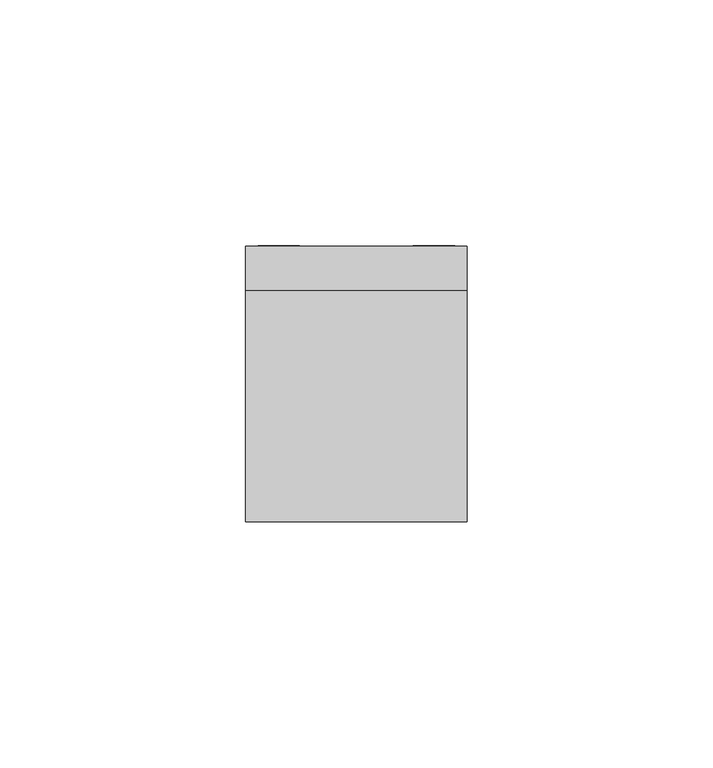
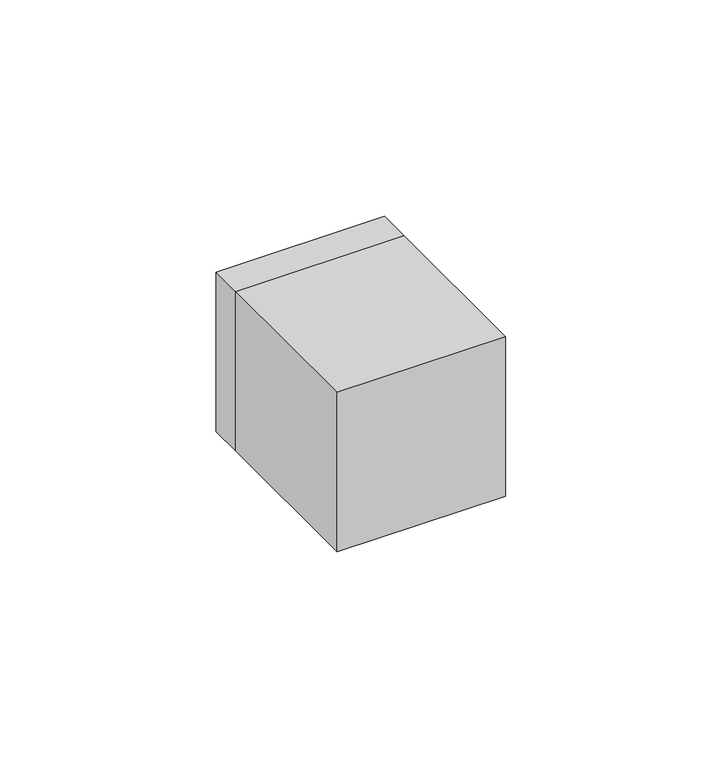
"""IFC4 building model written with IfcOpenShell, lengths in millimetres: proxy geometry."""

from ifc_helpers import new_model, si_unit, point, frame, origin, origin_2d, place, context, project, spatial, polyline, circle_curve, trimmed, segment, composite_curve, outline, extrude, faceted_brep, source, transform, mapped, element, save
from ifc_brep_helpers import plane_surface, revolved_surface, advanced_brep


def electrical_fixtures_44512ef4(model_context):
    return source(origin(), model_context, "Body", "SolidModel", [
        extrude(outline(polyline([(22.5, -47.0), (-22.5, -47.0), (-22.5, 0.0), (22.5, 0.0), (22.5, -47.0)])), frame((0.0, 0.0, -22.5), z_axis=(0.0, 0.0, 1.0), x_axis=(1.0, 0.0, 0.0)), (0.0, 0.0, 1.0), 45.0),
        extrude(outline(polyline([(9.1, 0.0), (9.1, -1.5), (0.0, -1.5), (0.0, 0.0), (9.1, 0.0)])), frame((-20.018193, 0.0, 12.5935718), z_axis=(0.7071067811865476, 0.0, 0.7071067811865476), x_axis=(0.0, 1.0, 0.0)), (0.0, 0.0, 1.0), 10.5),
        extrude(outline(polyline([(9.1, 0.0), (9.1, -10.5), (0.0, -10.5), (0.0, 0.0), (9.1, 0.0)])), frame((11.5329116, 0.0, 18.9575328), z_axis=(0.7071067811865468, 0.0, 0.7071067811865482), x_axis=(0.0, 1.0, 0.0)), (0.0, 0.0, 1.0), 1.5),
        extrude(outline(composite_curve([segment(polyline([(-16.0, -1.5), (-17.9373911, -1.5)]), True, "CONTINUOUS"), segment(trimmed(circle_curve(origin_2d(), 18.0), [point((-17.9373911, -1.5))], [point((-17.9373911, 1.5))], False, "CARTESIAN"), True, "CONTINUOUS"), segment(polyline([(-17.9373911, 1.5), (-16.0, 1.5), (-16.0, -1.5)]), True, "CONTINUOUS")], self_intersect=False)), frame((0.0, 1.0, 0.0), z_axis=(0.0, 1.0, 0.0), x_axis=(0.0, 0.0, 1.0)), (0.0, 0.0, 1.0), 7.0),
        extrude(outline(composite_curve([segment(polyline([(16.0, -1.5), (16.0, 1.5), (17.9373911, 1.5)]), True, "CONTINUOUS"), segment(trimmed(circle_curve(origin_2d(), 18.0), [point((17.9373911, 1.5))], [point((17.9373911, -1.5))], False, "CARTESIAN"), True, "CONTINUOUS"), segment(polyline([(17.9373911, -1.5), (16.0, -1.5)]), True, "CONTINUOUS")], self_intersect=False)), frame((0.0, 1.0, 0.0), z_axis=(0.0, 1.0, 0.0), x_axis=(0.0, 0.0, 1.0)), (0.0, 0.0, 1.0), 7.0),
        extrude(outline(composite_curve([segment(polyline([(8.2462113, 16.0), (2.0, 16.0), (2.0, 17.8885438)]), True, "CONTINUOUS"), segment(trimmed(circle_curve(origin_2d(), 18.0), [point((2.0, 17.8885438))], [point((8.2462113, 16.0))], False, "CARTESIAN"), True, "CONTINUOUS")], self_intersect=False)), frame((0.0, 1.0, 0.0), z_axis=(0.0, 1.0, 0.0), x_axis=(0.0, 0.0, 1.0)), (0.0, 0.0, 1.0), 7.0),
        extrude(outline(composite_curve([segment(trimmed(circle_curve(origin_2d(), 18.0), [point((-8.2462113, 16.0))], [point((-2.0, 17.8885438))], False, "CARTESIAN"), True, "CONTINUOUS"), segment(polyline([(-2.0, 17.8885438), (-2.0, 16.0), (-8.2462113, 16.0)]), True, "CONTINUOUS")], self_intersect=False)), frame((0.0, 1.0, 0.0), z_axis=(0.0, 1.0, 0.0), x_axis=(0.0, 0.0, 1.0)), (0.0, 0.0, 1.0), 7.0),
        extrude(outline(composite_curve([segment(polyline([(-8.2462113, -16.0), (-2.0, -16.0), (-2.0, -17.8885438)]), True, "CONTINUOUS"), segment(trimmed(circle_curve(origin_2d(), 18.0), [point((-2.0, -17.8885438))], [point((-8.2462113, -16.0))], False, "CARTESIAN"), True, "CONTINUOUS")], self_intersect=False)), frame((0.0, 1.0, 0.0), z_axis=(0.0, 1.0, 0.0), x_axis=(0.0, 0.0, 1.0)), (0.0, 0.0, 1.0), 7.0),
        extrude(outline(composite_curve([segment(trimmed(circle_curve(origin_2d(), 18.0), [point((8.2462113, -16.0))], [point((2.0, -17.8885438))], False, "CARTESIAN"), True, "CONTINUOUS"), segment(polyline([(2.0, -17.8885438), (2.0, -16.0), (8.2462113, -16.0)]), True, "CONTINUOUS")], self_intersect=False)), frame((0.0, 1.0, 0.0), z_axis=(0.0, 1.0, 0.0), x_axis=(0.0, 0.0, 1.0)), (0.0, 0.0, 1.0), 7.0),
        advanced_brep(
        [(22.5, 9.0, 22.5), (22.5, 9.0, -22.5), (-22.5, 9.0, -22.5), (-22.5, 9.0, 22.5), (-18.0, 9.0, 0.0), (18.0, 9.0, 0.0), (12.5935718, 9.0, 21.4324065), (8.9731851, 9.0, 17.8120198), (17.8120198, 9.0, 8.9731851), (21.4324065, 9.0, 12.5935718), (-21.4324065, 9.0, 12.5935718), (-17.8120198, 9.0, 8.9731851), (-8.9731851, 9.0, 17.8120198), (-12.5935718, 9.0, 21.4324065), (22.5, 0.0, 22.5), (-22.5, 0.0, 22.5), (-22.5, 0.0, -22.5), (22.5, 0.0, -22.5), (-7.0, 0.0, 0.0), (-12.0, 0.0, 0.0), (12.0, 0.0, 0.0), (7.0, 0.0, 0.0), (8.9731851, 0.0, 17.8120198), (12.5935718, 0.0, 21.4324065), (21.4324065, 0.0, 12.5935718), (17.8120198, 0.0, 8.9731851), (-17.8120198, 0.0, 8.9731851), (-21.4324065, 0.0, 12.5935718), (-12.5935718, 0.0, 21.4324065), (-8.9731851, 0.0, 17.8120198), (-7.0, 1.0, 0.0), (-12.0, 1.0, 0.0), (12.0, 1.0, 0.0), (7.0, 1.0, 0.0), (-18.0, 1.0, 0.0), (18.0, 1.0, 0.0)],
        [
            (0, 1),
            (1, 2),
            (2, 3),
            (3, 0),
            (4, 5, circle_curve(frame((0.0, 9.0, 0.0), z_axis=(0.0, -1.0, 0.0), x_axis=(1.0, 0.0, 0.0)), 18.0)),
            (5, 4, circle_curve(frame((0.0, 9.0, 0.0), z_axis=(0.0, -1.0, 0.0), x_axis=(1.0, 0.0, 0.0)), 18.0)),
            (6, 7),
            (7, 8),
            (8, 9),
            (9, 6),
            (10, 11),
            (11, 12),
            (12, 13),
            (13, 10),
            (14, 15),
            (15, 16),
            (16, 17),
            (17, 14),
            (18, 19, circle_curve(frame((-9.5, 0.0, 0.0), z_axis=(0.0, 1.0, 0.0), x_axis=(1.0, 0.0, 0.0)), 2.5)),
            (19, 18, circle_curve(frame((-9.5, 0.0, 0.0), z_axis=(0.0, 1.0, 0.0), x_axis=(1.0, 0.0, 0.0)), 2.5)),
            (20, 21, circle_curve(frame((9.5, 0.0, 0.0), z_axis=(0.0, 1.0, 0.0), x_axis=(1.0, 0.0, 0.0)), 2.5)),
            (21, 20, circle_curve(frame((9.5, 0.0, 0.0), z_axis=(0.0, 1.0, 0.0), x_axis=(1.0, 0.0, 0.0)), 2.5)),
            (22, 23),
            (23, 24),
            (24, 25),
            (25, 22),
            (26, 27),
            (27, 28),
            (28, 29),
            (29, 26),
            (3, 15),
            (14, 0),
            (2, 16),
            (1, 17),
            (18, 30),
            (30, 31, circle_curve(frame((-9.5, 1.0, 0.0), z_axis=(0.0, 1.0, 0.0), x_axis=(1.0, 0.0, 0.0)), 2.5)),
            (31, 19),
            (31, 30, circle_curve(frame((-9.5, 1.0, 0.0), z_axis=(0.0, 1.0, 0.0), x_axis=(1.0, 0.0, 0.0)), 2.5)),
            (20, 32),
            (32, 33, circle_curve(frame((9.5, 1.0, 0.0), z_axis=(0.0, 1.0, 0.0), x_axis=(1.0, 0.0, 0.0)), 2.5)),
            (33, 21),
            (33, 32, circle_curve(frame((9.5, 1.0, 0.0), z_axis=(0.0, 1.0, 0.0), x_axis=(1.0, 0.0, 0.0)), 2.5)),
            (34, 35, circle_curve(frame((0.0, 1.0, 0.0), z_axis=(0.0, 1.0, 0.0), x_axis=(1.0, 0.0, 0.0)), 18.0)),
            (35, 34, circle_curve(frame((0.0, 1.0, 0.0), z_axis=(0.0, 1.0, 0.0), x_axis=(1.0, 0.0, 0.0)), 18.0)),
            (35, 5),
            (4, 34),
            (22, 7),
            (6, 23),
            (25, 8),
            (24, 9),
            (26, 11),
            (10, 27),
            (29, 12),
            (28, 13),
        ],
        [
            plane_surface(frame((-39.0, 9.0, 22.5), z_axis=(0.0, 1.0, 0.0), x_axis=(1.0, 0.0, 0.0))),
            plane_surface(frame((-39.0, 0.0, 22.5), z_axis=(0.0, -1.0, 0.0), x_axis=(-1.0, 0.0, 0.0))),
            plane_surface(frame((22.5, 0.0, 22.5), z_axis=(0.0, 0.0, 1.0), x_axis=(0.0, 1.0, 0.0))),
            plane_surface(frame((-22.5, 0.0, 22.5), z_axis=(-1.0, 0.0, 0.0), x_axis=(0.0, 1.0, 0.0))),
            plane_surface(frame((-22.5, 0.0, -22.5), z_axis=(0.0, 0.0, -1.0), x_axis=(0.0, 1.0, 0.0))),
            plane_surface(frame((22.5, 0.0, -22.5), z_axis=(1.0, 0.0, 0.0), x_axis=(0.0, 1.0, 0.0))),
            revolved_surface(polyline([(-7.0, 0.0, 0.0), (-7.0, 1.0, 0.0)]), (-9.5, 1.0, 0.0), (0.0, -1.0, 0.0)),
            revolved_surface(polyline([(12.0, 0.0, 0.0), (12.0, 1.0, 0.0)]), (9.5, 0.0, 0.0), (0.0, -1.0, 0.0)),
            plane_surface(frame((18.0, 1.0, 0.0), z_axis=(0.0, 1.0, 0.0), x_axis=(0.0, 0.0, 1.0))),
            revolved_surface(polyline([(18.0, 1.0, 0.0), (18.0, 9.0, 0.0)]), (0.0, 9.0, 0.0), (0.0, -1.0, 0.0)),
            plane_surface(frame((12.5935718, 0.0, 21.4324065), z_axis=(0.7071067811865481, 0.0, -0.7071067811865469), x_axis=(0.0, 1.0, 0.0))),
            plane_surface(frame((8.9731851, 0.0, 17.8120198), z_axis=(0.707106781186547, 0.0, 0.7071067811865481), x_axis=(0.0, 1.0, 0.0))),
            plane_surface(frame((17.8120198, 0.0, 8.9731851), z_axis=(-0.707106781186549, 0.0, 0.7071067811865461), x_axis=(0.0, 1.0, 0.0))),
            plane_surface(frame((21.4324065, 0.0, 12.5935718), z_axis=(-0.7071067811865469, 0.0, -0.7071067811865482), x_axis=(0.0, 1.0, 0.0))),
            plane_surface(frame((-21.4324065, 0.0, 12.5935718), z_axis=(0.7071067811865465, 0.0, 0.7071067811865486), x_axis=(0.0, 1.0, 0.0))),
            plane_surface(frame((-17.8120198, 0.0, 8.9731851), z_axis=(-0.7071067811865488, 0.0, 0.7071067811865464), x_axis=(0.0, 1.0, 0.0))),
            plane_surface(frame((-8.9731851, 0.0, 17.8120198), z_axis=(-0.707106781186546, 0.0, -0.7071067811865491), x_axis=(0.0, 1.0, 0.0))),
            plane_surface(frame((-12.5935718, 0.0, 21.4324065), z_axis=(0.707106781186549, 0.0, -0.7071067811865461), x_axis=(0.0, 1.0, 0.0))),
        ],
        [
            (0, [[1, 2, 3, 4], [5, 6], [7, 8, 9, 10], [11, 12, 13, 14]]),
            (1, [[15, 16, 17, 18], [19, 20], [21, 22], [23, 24, 25, 26], [27, 28, 29, 30]]),
            (2, [[-4, 31, -15, 32]]),
            (3, [[-3, 33, -16, -31]]),
            (4, [[-2, 34, -17, -33]]),
            (5, [[-1, -32, -18, -34]]),
            (6, [[35, 36, 37, -19]]),
            (6, [[-35, -20, -37, 38]]),
            (7, [[39, 40, 41, -21]]),
            (7, [[-39, -22, -41, 42]]),
            (8, [[43, 44], [-36, -38], [-40, -42]]),
            (9, [[-44, 45, -5, 46]]),
            (9, [[-43, -46, -6, -45]]),
            (10, [[47, -7, 48, -23]]),
            (11, [[-47, -26, 49, -8]]),
            (12, [[-49, -25, 50, -9]]),
            (13, [[-48, -10, -50, -24]]),
            (14, [[51, -11, 52, -27]]),
            (15, [[-51, -30, 53, -12]]),
            (16, [[-53, -29, 54, -13]]),
            (17, [[-52, -14, -54, -28]]),
        ],
    ),
        faceted_brep([(18.9575328, 9.0, 11.5329116), (11.5329116, 9.0, 18.9575328), (12.5935718, 9.0, 20.018193), (20.018193, 9.0, 12.5935718), (11.5329116, 0.0, 18.9575328), (18.9575328, 0.0, 11.5329116), (20.018193, 0.0, 12.5935718), (12.5935718, 0.0, 20.018193)], [[[0, 1, 2, 3]], [[4, 5, 6, 7]], [[4, 1, 0, 5]], [[1, 4, 7, 2]], [[2, 7, 6, 3]], [[5, 0, 3, 6]]]),
        faceted_brep([(-11.5329116, 9.0, 18.9575328), (-18.9575328, 9.0, 11.5329116), (-20.018193, 9.0, 12.5935718), (-12.5935718, 9.0, 20.018193), (-18.9575328, 0.0, 11.5329116), (-11.5329116, 0.0, 18.9575328), (-12.5935718, 0.0, 20.018193), (-20.018193, 0.0, 12.5935718)], [[[0, 1, 2, 3]], [[4, 5, 6, 7]], [[4, 1, 0, 5]], [[1, 4, 7, 2]], [[2, 7, 6, 3]], [[5, 0, 3, 6]]]),
    ])


if __name__ == "__main__":
    model = new_model("IFC4")
    model_context = context("Model", 3, world=origin())
    ifc_project = project(units=[si_unit("LENGTHUNIT", "METRE", prefix="MILLI")], contexts=[model_context])
    site = spatial("IfcSite", under=ifc_project)
    building = spatial("IfcBuilding", under=site)
    placement = place(None, origin())
    electrical_fixtures_shape = electrical_fixtures_44512ef4(model_context)
    element("IfcBuildingElementProxy", 1, Name="Electrical Fixtures", at=placement, inside=building, context=model_context, shape_type="MappedRepresentation", body=[
        mapped(electrical_fixtures_shape, transform((0.0, 0.0, 0.0), x_axis=(1.0, 0.0, 0.0), y_axis=(0.0, 1.0, 0.0), z_axis=(0.0, 0.0, 1.0))),
    ])
    save(model, "model.ifc")
